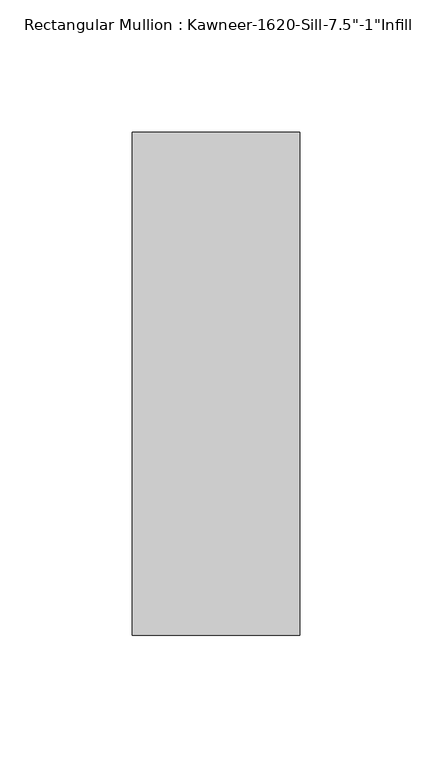
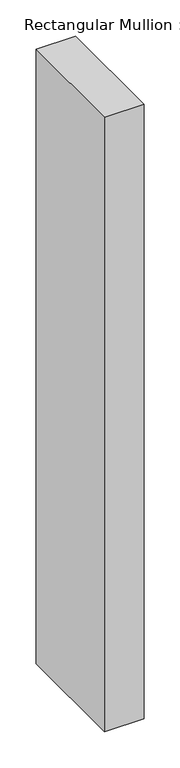
"""IFC4 building model written with IfcOpenShell, lengths in millimetres: member geometry."""

from ifc_helpers import new_model, si_unit, frame, origin, place, context, project, spatial, polyline, outline, extrude, source, transform, mapped, element, save


def member_b5d7f1c1(model_context):
    return source(origin(), model_context, "Body", "SweptSolid", [
        extrude(outline(polyline([(-63.5, 38.1), (0.0, 38.1), (0.0, -152.4), (-63.5, -152.4), (-63.5, 38.1)])), frame((0.0, 0.0, -1040.8200334), z_axis=(0.0, 0.0, 1.0), x_axis=(1.0, 0.0, 0.0)), (0.0, 0.0, 1.0), 1040.8200334),
    ])


if __name__ == "__main__":
    model = new_model("IFC4")
    model_context = context("Model", 3, world=origin())
    ifc_project = project(units=[si_unit("LENGTHUNIT", "METRE", prefix="MILLI")], contexts=[model_context])
    site = spatial("IfcSite", under=ifc_project)
    building = spatial("IfcBuilding", under=site)
    placement = place(None, origin())
    member_shape = member_b5d7f1c1(model_context)
    element("IfcMember", 1, ObjectType="Rectangular Mullion : Kawneer-1620-Sill-7.5\"-1\"Infill", at=placement, inside=building, context=model_context, shape_type="MappedRepresentation", body=[
        mapped(member_shape, transform((0.0, 0.0, 0.0), x_axis=(1.0, 0.0, 0.0), y_axis=(0.0, 1.0, 0.0), z_axis=(0.0, 0.0, 1.0))),
    ])
    save(model, "model.ifc")
